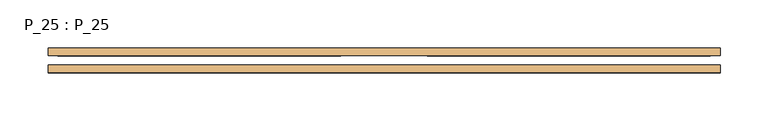
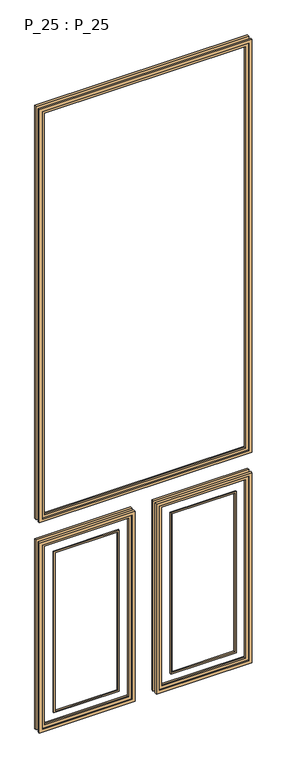
"""IFC4 building model written with IfcOpenShell, lengths in millimetres: door geometry, P_25 : P_25."""

from ifc_helpers import new_model, si_unit, frame, origin, place, context, project, spatial, polyline, outline, extrude, source, transform, mapped, element, save


def p_25_p_25_c0b82f8e(model_context):
    return source(origin(), model_context, "Body", "SweptSolid", [
        extrude(outline(polyline([(790.0, -350.0), (130.0, -350.0), (130.0, -35.0), (790.0, -35.0), (790.0, -350.0)]), holes=[polyline([(780.0, -340.0), (780.0, -45.0), (140.0, -45.0), (140.0, -340.0), (780.0, -340.0)])]), frame((0.0, 65.0, 0.0), z_axis=(0.0, 1.0, 0.0), x_axis=(0.0, 0.0, 1.0)), (0.0, 0.0, 1.0), 8.0),
        extrude(outline(polyline([(130.0, 350.0), (790.0, 350.0), (790.0, 35.0), (130.0, 35.0), (130.0, 350.0)]), holes=[polyline([(780.0, 45.0), (780.0, 340.0), (140.0, 340.0), (140.0, 45.0), (780.0, 45.0)])]), frame((0.0, 65.0, 0.0), z_axis=(0.0, 1.0, 0.0), x_axis=(0.0, 0.0, 1.0)), (0.0, 0.0, 1.0), 8.0),
        extrude(outline(polyline([(2295.0, 350.0), (2295.0, -350.0), (860.0, -350.0), (860.0, 350.0), (2295.0, 350.0)]), holes=[polyline([(2285.0, 340.0), (870.0, 340.0), (870.0, -340.0), (2285.0, -340.0), (2285.0, 340.0)])]), frame((0.0, 65.0, 0.0), z_axis=(0.0, 1.0, 0.0), x_axis=(0.0, 0.0, 1.0)), (0.0, 0.0, 1.0), 8.0),
        extrude(outline(polyline([(2285.0, -340.0), (870.0, -340.0), (870.0, 340.0), (2285.0, 340.0), (2285.0, -340.0)]), holes=[polyline([(2275.0, -330.0), (2275.0, 330.0), (880.0, 330.0), (880.0, -330.0), (2275.0, -330.0)])]), frame((0.0, 51.0, 0.0), z_axis=(0.0, 1.0, 0.0), x_axis=(0.0, 0.0, 1.0)), (0.0, 0.0, 1.0), 4.0),
        extrude(outline(polyline([(780.0, 45.0), (140.0, 45.0), (140.0, 340.0), (780.0, 340.0), (780.0, 45.0)]), holes=[polyline([(770.0, 55.0), (770.0, 330.0), (150.0, 330.0), (150.0, 55.0), (770.0, 55.0)])]), frame((0.0, 51.0, 0.0), z_axis=(0.0, 1.0, 0.0), x_axis=(0.0, 0.0, 1.0)), (0.0, 0.0, 1.0), 4.0),
        extrude(outline(polyline([(780.0, -340.0), (140.0, -340.0), (140.0, -45.0), (780.0, -45.0), (780.0, -340.0)]), holes=[polyline([(770.0, -330.0), (770.0, -55.0), (150.0, -55.0), (150.0, -330.0), (770.0, -330.0)])]), frame((0.0, 51.0, 0.0), z_axis=(0.0, 1.0, 0.0), x_axis=(0.0, 0.0, 1.0)), (0.0, 0.0, 1.0), 4.0),
        extrude(outline(polyline([(740.0, 85.0), (180.0, 85.0), (180.0, 300.0), (740.0, 300.0), (740.0, 85.0)]), holes=[polyline([(735.0, 90.0), (735.0, 295.0), (185.0, 295.0), (185.0, 90.0), (735.0, 90.0)])]), frame((0.0, 51.0, 0.0), z_axis=(0.0, 1.0, 0.0), x_axis=(0.0, 0.0, 1.0)), (0.0, 0.0, 1.0), 4.0),
        extrude(outline(polyline([(740.0, -300.0), (180.0, -300.0), (180.0, -85.0), (740.0, -85.0), (740.0, -300.0)]), holes=[polyline([(735.0, -295.0), (735.0, -90.0), (185.0, -90.0), (185.0, -295.0), (735.0, -295.0)])]), frame((0.0, 51.0, 0.0), z_axis=(0.0, 1.0, 0.0), x_axis=(0.0, 0.0, 1.0)), (0.0, 0.0, 1.0), 4.0),
        extrude(outline(polyline([(860.0, 350.0), (2295.0, 350.0), (2295.0, -350.0), (860.0, -350.0), (860.0, 350.0)]), holes=[polyline([(2285.0, -340.0), (2285.0, 340.0), (870.0, 340.0), (870.0, -340.0), (2285.0, -340.0)])]), frame((0.0, 47.0, 0.0), z_axis=(0.0, 1.0, 0.0), x_axis=(0.0, 0.0, 1.0)), (0.0, 0.0, 1.0), 8.0),
        extrude(outline(polyline([(790.0, -350.0), (130.0, -350.0), (130.0, -35.0), (790.0, -35.0), (790.0, -350.0)]), holes=[polyline([(780.0, -340.0), (780.0, -45.0), (140.0, -45.0), (140.0, -340.0), (780.0, -340.0)])]), frame((0.0, 47.0, 0.0), z_axis=(0.0, 1.0, 0.0), x_axis=(0.0, 0.0, 1.0)), (0.0, 0.0, 1.0), 8.0),
        extrude(outline(polyline([(130.0, 350.0), (790.0, 350.0), (790.0, 35.0), (130.0, 35.0), (130.0, 350.0)]), holes=[polyline([(780.0, 45.0), (780.0, 340.0), (140.0, 340.0), (140.0, 45.0), (780.0, 45.0)])]), frame((0.0, 47.0, 0.0), z_axis=(0.0, 1.0, 0.0), x_axis=(0.0, 0.0, 1.0)), (0.0, 0.0, 1.0), 8.0),
    ])


if __name__ == "__main__":
    model = new_model("IFC4")
    model_context = context("Model", 3, world=origin())
    ifc_project = project(units=[si_unit("LENGTHUNIT", "METRE", prefix="MILLI")], contexts=[model_context])
    site = spatial("IfcSite", under=ifc_project)
    building = spatial("IfcBuilding", under=site)
    placement = place(None, origin())
    p_25_p_25_shape = p_25_p_25_c0b82f8e(model_context)
    element("IfcDoor", 1, ObjectType="P_25 : P_25", at=placement, inside=building, context=model_context, shape_type="MappedRepresentation", body=[
        mapped(p_25_p_25_shape, transform((0.0, 0.0, 0.0), x_axis=(1.0, 0.0, 0.0), y_axis=(0.0, 1.0, 0.0), z_axis=(0.0, 0.0, 1.0))),
    ])
    save(model, "model.ifc")
